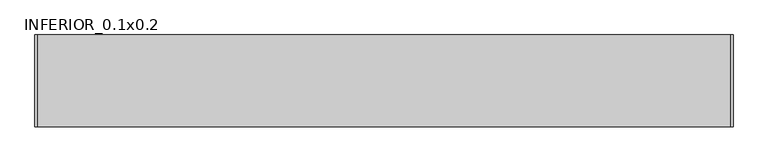
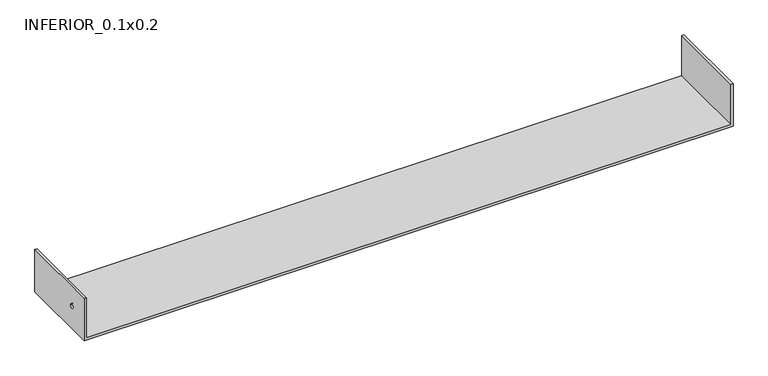
"""IFC4 building model written with IfcOpenShell, lengths in millimetres: proxy geometry, INFERIOR_0.1x0.2."""

from ifc_helpers import new_model, si_unit, frame, origin, place, context, project, spatial, polyline, circle_curve, source, transform, mapped, element, save
from ifc_brep_helpers import plane_surface, revolved_surface, advanced_brep


def inferior_0_1x0_2_58ffe29d(model_context):
    return source(origin(), model_context, "Body", "AdvancedBrep", [
        advanced_brep(
        [(5.0, 200.0, 105.0), (0.0, 200.0, 105.0), (0.0, 0.0, 105.0), (5.0, 0.0, 105.0), (5.0, 200.0, 5.0), (1515.0, 200.0, 5.0), (1515.0, 200.0, 105.0), (1520.0, 200.0, 105.0), (1520.0, 200.0, 0.0), (0.0, 200.0, 0.0), (0.0, 0.0, 0.0), (0.0, 45.1299677, 55.0), (0.0, 55.1299677, 55.0), (1520.0, 0.0, 0.0), (1520.0, 0.0, 105.0), (1515.0, 0.0, 105.0), (1515.0, 0.0, 5.0), (5.0, 0.0, 5.0), (5.0, 55.1299677, 55.0), (5.0, 45.1299677, 55.0)],
        [
            (0, 1),
            (1, 2),
            (2, 3),
            (3, 0),
            (0, 4),
            (4, 5),
            (5, 6),
            (6, 7),
            (7, 8),
            (8, 9),
            (9, 1),
            (9, 10),
            (10, 2),
            (11, 12, circle_curve(frame((0.0, 50.1299677, 55.0), z_axis=(1.0, 0.0, 0.0), x_axis=(0.0, 1.0, 0.0)), 5.0)),
            (12, 11, circle_curve(frame((0.0, 50.1299677, 55.0), z_axis=(1.0, 0.0, 0.0), x_axis=(0.0, 1.0, 0.0)), 5.0)),
            (10, 13),
            (13, 14),
            (14, 15),
            (15, 16),
            (16, 17),
            (17, 3),
            (17, 4),
            (18, 19, circle_curve(frame((5.0, 50.1299677, 55.0), z_axis=(-1.0, 0.0, 0.0), x_axis=(0.0, 1.0, 0.0)), 5.0)),
            (19, 18, circle_curve(frame((5.0, 50.1299677, 55.0), z_axis=(-1.0, 0.0, 0.0), x_axis=(0.0, 1.0, 0.0)), 5.0)),
            (16, 5),
            (8, 13),
            (7, 14),
            (11, 19),
            (18, 12),
            (6, 15),
        ],
        [
            plane_surface(frame((0.0, 200.0, 105.0), z_axis=(0.0, 0.0, 1.0), x_axis=(-1.0, 0.0, 0.0))),
            plane_surface(frame((5.0, 200.0, 105.0), z_axis=(0.0, 1.0, 0.0), x_axis=(0.0, 0.0, -1.0))),
            plane_surface(frame((0.0, 200.0, 105.0), z_axis=(-1.0, 0.0, 0.0), x_axis=(0.0, 0.0, -1.0))),
            plane_surface(frame((0.0, 0.0, 105.0), z_axis=(0.0, -1.0, 0.0), x_axis=(0.0, 0.0, -1.0))),
            plane_surface(frame((5.0, 0.0, 105.0), z_axis=(1.0, 0.0, 0.0), x_axis=(0.0, 0.0, -1.0))),
            plane_surface(frame((0.0, 0.0, 5.0), z_axis=(0.0, 0.0, 1.0), x_axis=(0.0, -1.0, 0.0))),
            plane_surface(frame((0.0, 0.0, 0.0), z_axis=(0.0, 0.0, -1.0), x_axis=(0.0, 1.0, 0.0))),
            plane_surface(frame((1520.0, 0.0, 5.0), z_axis=(1.0, 0.0, 0.0), x_axis=(0.0, 0.0, -1.0))),
            revolved_surface(polyline([(5.0, 55.1299677, 55.0), (0.0, 55.1299677, 55.0)]), (0.0, 50.1299677, 55.0), (1.0, 0.0, 0.0)),
            plane_surface(frame((1515.0, 200.0, 105.0), z_axis=(0.0, 0.0, 1.0), x_axis=(0.0, -1.0, 0.0))),
            plane_surface(frame((1515.0, 200.0, 105.0), z_axis=(-1.0, 0.0, 0.0), x_axis=(0.0, 0.0, -1.0))),
        ],
        [
            (0, [[1, 2, 3, 4]]),
            (1, [[-1, 5, 6, 7, 8, 9, 10, 11]]),
            (2, [[-2, -11, 12, 13], [14, 15]]),
            (3, [[-3, -13, 16, 17, 18, 19, 20, 21]]),
            (4, [[-4, -21, 22, -5], [23, 24]]),
            (5, [[-22, -20, 25, -6]]),
            (6, [[26, -16, -12, -10]]),
            (7, [[-26, -9, 27, -17]]),
            (8, [[28, -23, 29, -14]]),
            (8, [[-28, -15, -29, -24]]),
            (9, [[30, -18, -27, -8]]),
            (10, [[-30, -7, -25, -19]]),
        ],
    ),
    ])


if __name__ == "__main__":
    model = new_model("IFC4")
    model_context = context("Model", 3, world=origin())
    ifc_project = project(units=[si_unit("LENGTHUNIT", "METRE", prefix="MILLI")], contexts=[model_context])
    site = spatial("IfcSite", under=ifc_project)
    building = spatial("IfcBuilding", under=site)
    placement = place(None, origin())
    inferior_0_1x0_2_shape = inferior_0_1x0_2_58ffe29d(model_context)
    element("IfcBuildingElementProxy", 1, Name="INFERIOR_0.1x0.2", ObjectType="INFERIOR_0.1x0.2", at=placement, inside=building, context=model_context, shape_type="MappedRepresentation", body=[
        mapped(inferior_0_1x0_2_shape, transform((0.0, 0.0, 0.0), x_axis=(1.0, 0.0, 0.0), y_axis=(0.0, 1.0, 0.0), z_axis=(0.0, 0.0, 1.0))),
    ])
    save(model, "model.ifc")
